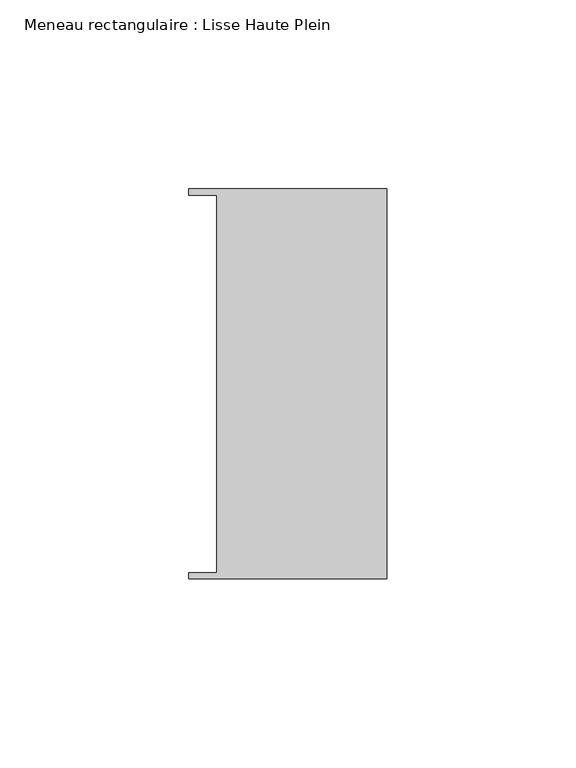
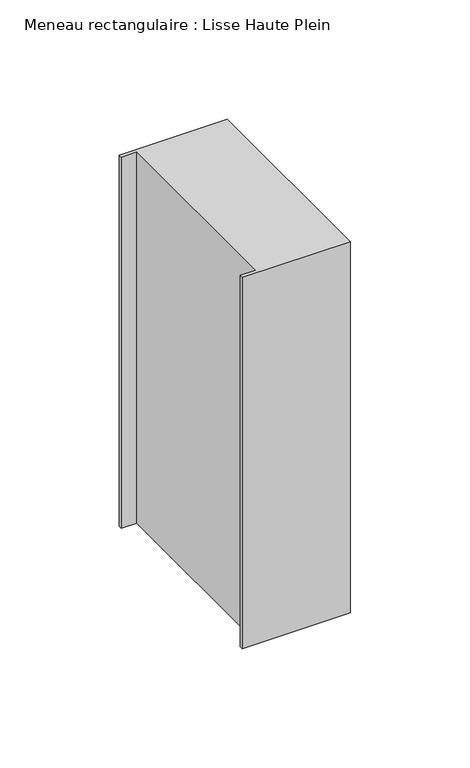
"""IFC4 building model written with IfcOpenShell, lengths in millimetres: member geometry, Meneau rectangulaire : Lisse Haute Plein."""

import ifcopenshell
import ifcopenshell.guid

model = None  # the IFC model being written
_history = None  # IfcOwnerHistory: only IFC2X3 demands one
_inside = {}  # id of a spatial element -> (the spatial element, [elements in it])
_under = {}  # id of a project, library or spatial element -> (it, [spatial elements below it])
_declared = {}  # id of a project -> (the project, [libraries it declares])
_typed = {}  # id of a type object -> (the type object, [elements of that type])
_made_of = {}  # id of a material, layer set ... -> (it, [elements and type objects made of it])


def new_model(schema):
    """Start an empty IFC model of exactly this schema.

    Asked for "IFC4X3", IfcOpenShell would pick the latest addendum, in which some entities
    have other attributes; the version numbers below select the first issue.
    IFC2X3 requires an IfcOwnerHistory on every rooted entity: one is made here for all.
    """
    global model, _history
    if schema == "IFC4X3":
        model = ifcopenshell.file(schema_version=(4, 3, 0, 0))
    else:
        model = ifcopenshell.file(schema=schema)
    _inside.clear()
    _under.clear()
    _declared.clear()
    _typed.clear()
    _made_of.clear()
    _history = None
    if model.schema == "IFC2X3":
        org = make("IfcOrganization", Name="unknown")
        user = make(
            "IfcPersonAndOrganization",
            ThePerson=make("IfcPerson", FamilyName="unknown"),
            TheOrganization=org,
        )
        app = make(
            "IfcApplication",
            ApplicationDeveloper=org,
            Version="unknown",
            ApplicationFullName="unknown",
            ApplicationIdentifier="unknown",
        )
        _history = make(
            "IfcOwnerHistory",
            OwningUser=user,
            OwningApplication=app,
            ChangeAction="ADDED",
            CreationDate=0,
        )
    return model


def make(cls, **values):
    """One entity of the class cls with the attributes given. An attribute that is None is left unset."""
    return model.create_entity(
        cls, **{name: value for name, value in values.items() if value is not None}
    )


def rooted(cls, **values):
    """An entity with a GlobalId (a new one), such as an element, a storey or a relation."""
    return make(cls, GlobalId=ifcopenshell.guid.new(), OwnerHistory=_history, **values)


def si_unit(unit_type, name, prefix=None):
    """IfcSIUnit, for example si_unit("LENGTHUNIT", "METRE", prefix="MILLI")."""
    return make("IfcSIUnit", UnitType=unit_type, Prefix=prefix, Name=name)


def assignment(units):
    """IfcUnitAssignment: the units of a project."""
    return None if units is None else make("IfcUnitAssignment", Units=units)


def point(xyz):
    """IfcCartesianPoint."""
    return None if xyz is None else make("IfcCartesianPoint", Coordinates=xyz)


def direction(xyz):
    """IfcDirection."""
    return None if xyz is None else make("IfcDirection", DirectionRatios=xyz)


def frame(location, z_axis=None, x_axis=None):
    """IfcAxis2Placement3D, a coordinate frame: its origin and axes. An axis left out is left unset."""
    return make(
        "IfcAxis2Placement3D",
        Location=point(location),
        Axis=direction(z_axis),
        RefDirection=direction(x_axis),
    )


def origin():
    """The frame at (0, 0, 0) with its axes left unset."""
    return frame((0.0, 0.0, 0.0))


def place(relative_to, where):
    """IfcLocalPlacement: puts the frame where relative to a parent placement (None: the world)."""
    return make(
        "IfcLocalPlacement", PlacementRelTo=relative_to, RelativePlacement=where
    )


def context(
    kind, dimensions, precision=None, world=None, true_north=None, identifier=None
):
    """IfcGeometricRepresentationContext, for example the 3D "Model" context."""
    return make(
        "IfcGeometricRepresentationContext",
        ContextIdentifier=identifier,
        ContextType=kind,
        CoordinateSpaceDimension=dimensions,
        Precision=precision,
        WorldCoordinateSystem=world,
        TrueNorth=true_north,
    )


def project(units=None, contexts=None):
    """IfcProject with its units and contexts."""
    return rooted(
        "IfcProject",
        Name="project",
        RepresentationContexts=contexts,
        UnitsInContext=assignment(units),
    )


def spatial(cls, under=None, at=None, **own):
    """A site, building, storey or space (cls), placed at a placement, below another one or the project."""
    s = rooted(cls, ObjectPlacement=at, **own)
    if under is not None:
        _under.setdefault(under.id(), (under, []))[1].append(s)
    return s


def polyline(points):
    """IfcPolyline through the points."""
    return make("IfcPolyline", Points=[point(p) for p in points])


def outline(outer, holes=None, kind="AREA"):
    """IfcArbitraryClosedProfileDef: a profile drawn as a closed curve; with holes, ...WithVoids."""
    if holes is None:
        return make("IfcArbitraryClosedProfileDef", ProfileType=kind, OuterCurve=outer)
    return make(
        "IfcArbitraryProfileDefWithVoids",
        ProfileType=kind,
        OuterCurve=outer,
        InnerCurves=holes,
    )


def extrude(swept, where, along, depth):
    """IfcExtrudedAreaSolid: the profile swept, set in the frame where, extruded along a direction by depth."""
    return make(
        "IfcExtrudedAreaSolid",
        SweptArea=swept,
        Position=where,
        ExtrudedDirection=direction(along),
        Depth=depth,
    )


def shape(context_of_items, identifier, shape_type, items):
    """IfcShapeRepresentation: the items that make up one representation, for example the "Body"."""
    return make(
        "IfcShapeRepresentation",
        ContextOfItems=context_of_items,
        RepresentationIdentifier=identifier,
        RepresentationType=shape_type,
        Items=items,
    )


def source(mapping_origin, context_of_items, identifier, shape_type, items):
    """IfcRepresentationMap: a shape defined once, which mapped items show again and again."""
    return make(
        "IfcRepresentationMap",
        MappingOrigin=mapping_origin,
        MappedRepresentation=shape(context_of_items, identifier, shape_type, items),
    )


def transform(
    local_origin,
    x_axis=None,
    y_axis=None,
    z_axis=None,
    scale=None,
    scale2=None,
    scale3=None,
    uniform=True,
):
    """IfcCartesianTransformationOperator3D, or its non-uniform kind. x_axis, y_axis, z_axis: its Axis1, 2, 3."""
    if uniform:
        return make(
            "IfcCartesianTransformationOperator3D",
            Axis1=direction(x_axis),
            Axis2=direction(y_axis),
            LocalOrigin=point(local_origin),
            Scale=scale,
            Axis3=direction(z_axis),
        )
    return make(
        "IfcCartesianTransformationOperator3DnonUniform",
        Axis1=direction(x_axis),
        Axis2=direction(y_axis),
        LocalOrigin=point(local_origin),
        Scale=scale,
        Axis3=direction(z_axis),
        Scale2=scale2,
        Scale3=scale3,
    )


def mapped(mapping_source, mapping_target):
    """IfcMappedItem: shows the shape of a source again, moved by a transform."""
    return make(
        "IfcMappedItem", MappingSource=mapping_source, MappingTarget=mapping_target
    )


def made_of(thing, what):
    """Note that an element or type object is made of a material, layer set ...; save() writes the relation."""
    if what is not None:
        _made_of.setdefault(what.id(), (what, []))[1].append(thing)
    return thing


def element(
    cls,
    number,
    at=None,
    inside=None,
    cuts=None,
    type_object=None,
    material=None,
    context=None,
    identifier="Body",
    shape_type=None,
    held_by="IfcProductDefinitionShape",
    body=None,
    shapes=None,
    **own,
):
    """One element of the class cls, such as IfcWall. Its Tag is "e" and its number.

    at: its placement. inside: the storey or other place that contains it. cuts: it is an
    opening in that element (IfcRelVoidsElement). A single representation is given by context,
    identifier, shape_type and body (its items); several are given by shapes. held_by: the class
    of the entity that holds the representations. save() writes the other relations.
    """
    e = rooted(cls, Tag="e%d" % number, ObjectPlacement=at, **own)
    if body is not None:
        shapes = [shape(context, identifier, shape_type, body)]
    if shapes is not None:
        e.Representation = make(held_by, Representations=shapes)
    if inside is not None:
        _inside.setdefault(inside.id(), (inside, []))[1].append(e)
    if cuts is not None:
        rooted(
            "IfcRelVoidsElement", RelatingBuildingElement=cuts, RelatedOpeningElement=e
        )
    if type_object is not None:
        _typed.setdefault(type_object.id(), (type_object, []))[1].append(e)
    return made_of(e, material)


def aggregate(whole, parts):
    """IfcRelAggregates: a whole, such as a stair, and the parts it consists of."""
    return rooted("IfcRelAggregates", RelatingObject=whole, RelatedObjects=parts)


def save(model, path):
    """Write the relations noted so far, then the file.

    IfcRelAggregates (storeys below a building ...), IfcRelContainedInSpatialStructure (elements
    in a storey), IfcRelDefinesByType, IfcRelAssociatesMaterial and IfcRelDeclares: one each for
    every whole, place, type object, material and project.
    """
    for whole, parts in _under.values():
        aggregate(whole, parts)
    for where, things in _inside.values():
        rooted(
            "IfcRelContainedInSpatialStructure",
            RelatedElements=things,
            RelatingStructure=where,
        )
    for kind, things in _typed.values():
        rooted("IfcRelDefinesByType", RelatedObjects=things, RelatingType=kind)
    for what, things in _made_of.values():
        rooted("IfcRelAssociatesMaterial", RelatedObjects=things, RelatingMaterial=what)
    for by, libraries in _declared.values():
        rooted("IfcRelDeclares", RelatingContext=by, RelatedDefinitions=libraries)
    model.write(path)


def meneau_rectangulaire_lisse_haute_plein_3958ecda(model_context):
    return source(origin(), model_context, "Body", "SweptSolid", [
        extrude(outline(polyline([(-44.9064331, 49.9174073), (-52.3, 49.9174073), (-52.3, 51.585934), (0.0, 51.585934), (0.0, -51.6011428), (-52.3, -51.6011428), (-52.3, -49.9174073), (-44.9064331, -49.9174073), (-44.9064331, 49.9174073)])), frame((0.0, 0.0, -189.9989579), z_axis=(0.0, 0.0, 1.0), x_axis=(1.0, 0.0, 0.0)), (0.0, 0.0, 1.0), 189.9989579),
    ])


if __name__ == "__main__":
    model = new_model("IFC4")
    model_context = context("Model", 3, world=origin())
    ifc_project = project(units=[si_unit("LENGTHUNIT", "METRE", prefix="MILLI")], contexts=[model_context])
    site = spatial("IfcSite", under=ifc_project)
    building = spatial("IfcBuilding", under=site)
    placement = place(None, origin())
    meneau_rectangulaire_lisse_haute_plein_shape = meneau_rectangulaire_lisse_haute_plein_3958ecda(model_context)
    element("IfcMember", 1, ObjectType="Meneau rectangulaire : Lisse Haute Plein", at=placement, inside=building, context=model_context, shape_type="MappedRepresentation", body=[
        mapped(meneau_rectangulaire_lisse_haute_plein_shape, transform((0.0, 0.0, 0.0), x_axis=(1.0, 0.0, 0.0), y_axis=(0.0, 1.0, 0.0), z_axis=(0.0, 0.0, 1.0))),
    ])
    save(model, "model.ifc")
